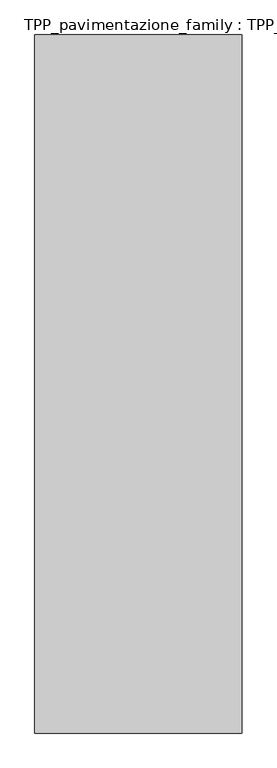
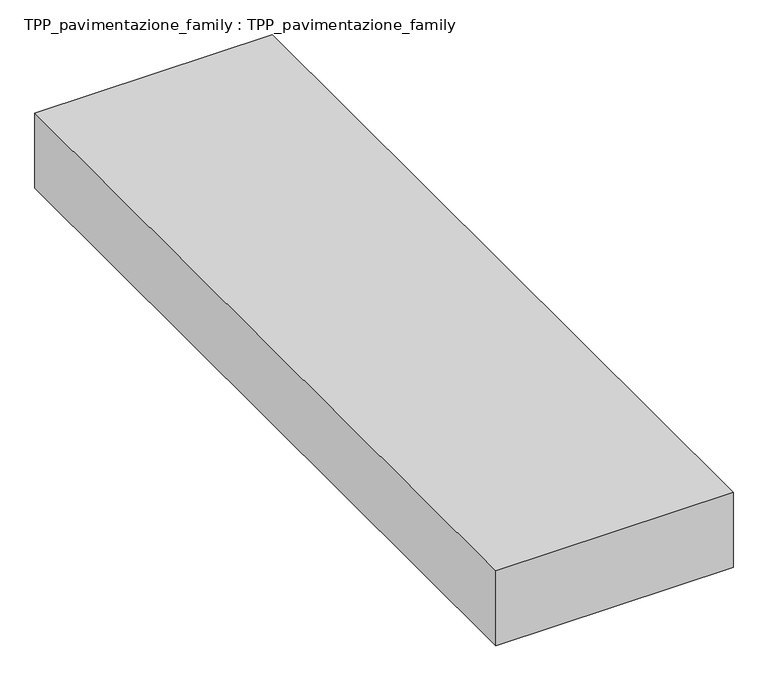
"""IFC4 building model written with IfcOpenShell, lengths in millimetres: proxy geometry, TPP_pavimentazione_family : TPP_pavimentazione_family."""

from ifc_helpers import new_model, si_unit, origin, origin_with_axes, place, context, project, spatial, polyline, outline, extrude, source, transform, mapped, element, save


def tpp_pavimentazione_family_tpp_pavimentazione_family_9e3c0ac0(model_context):
    return source(origin(), model_context, "Body", "SweptSolid", [
        extrude(outline(polyline([(511.8146187, 354.2201026), (511.8146187, -2676.834597), (-388.1763, -2676.834597), (-388.1763, 354.2201026), (511.8146187, 354.2201026)])), origin_with_axes(), (0.0, 0.0, 1.0), 300.0),
    ])


if __name__ == "__main__":
    model = new_model("IFC4")
    model_context = context("Model", 3, world=origin())
    ifc_project = project(units=[si_unit("LENGTHUNIT", "METRE", prefix="MILLI")], contexts=[model_context])
    site = spatial("IfcSite", under=ifc_project)
    building = spatial("IfcBuilding", under=site)
    placement = place(None, origin())
    tpp_pavimentazione_family_tpp_pavimentazione_family_shape = tpp_pavimentazione_family_tpp_pavimentazione_family_9e3c0ac0(model_context)
    element("IfcBuildingElementProxy", 1, Name="TPP_pavimentazione_family : TPP_pavimentazione_family", ObjectType="TPP_pavimentazione_family : TPP_pavimentazione_family", at=placement, inside=building, context=model_context, shape_type="MappedRepresentation", body=[
        mapped(tpp_pavimentazione_family_tpp_pavimentazione_family_shape, transform((0.0, 0.0, 0.0), x_axis=(1.0, 0.0, 0.0), y_axis=(0.0, 1.0, 0.0), z_axis=(0.0, 0.0, 1.0))),
    ])
    save(model, "model.ifc")
